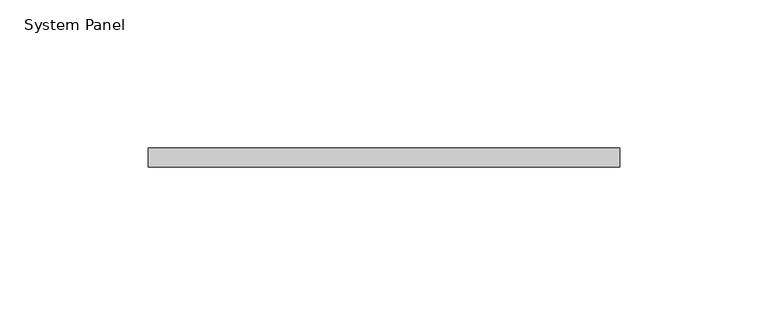
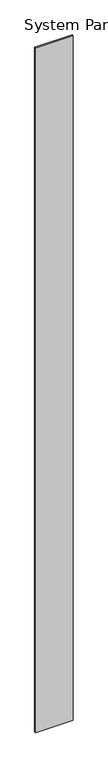
"""IFC4 building model written with IfcOpenShell, lengths in millimetres: plate geometry, System Panel."""

from ifc_helpers import new_model, si_unit, origin, origin_with_axes, place, context, project, spatial, polyline, outline, extrude, source, transform, mapped, element, save


def system_panel_0c1fb14c(model_context):
    return source(origin(), model_context, "Body", "SweptSolid", [
        extrude(outline(polyline([(79.375, 0.0), (-79.375, 0.0), (-79.375, 6.35), (79.375, 6.35), (79.375, 0.0)])), origin_with_axes(), (0.0, 0.0, 1.0), 3048.0),
    ])


if __name__ == "__main__":
    model = new_model("IFC4")
    model_context = context("Model", 3, world=origin())
    ifc_project = project(units=[si_unit("LENGTHUNIT", "METRE", prefix="MILLI")], contexts=[model_context])
    site = spatial("IfcSite", under=ifc_project)
    building = spatial("IfcBuilding", under=site)
    placement = place(None, origin())
    system_panel_shape = system_panel_0c1fb14c(model_context)
    element("IfcPlate", 1, ObjectType="System Panel", at=placement, inside=building, context=model_context, shape_type="MappedRepresentation", body=[
        mapped(system_panel_shape, transform((0.0, 0.0, 0.0), x_axis=(1.0, 0.0, 0.0), y_axis=(0.0, 1.0, 0.0), z_axis=(0.0, 0.0, 1.0))),
    ])
    save(model, "model.ifc")
